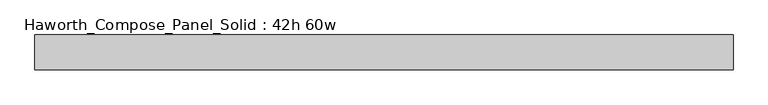
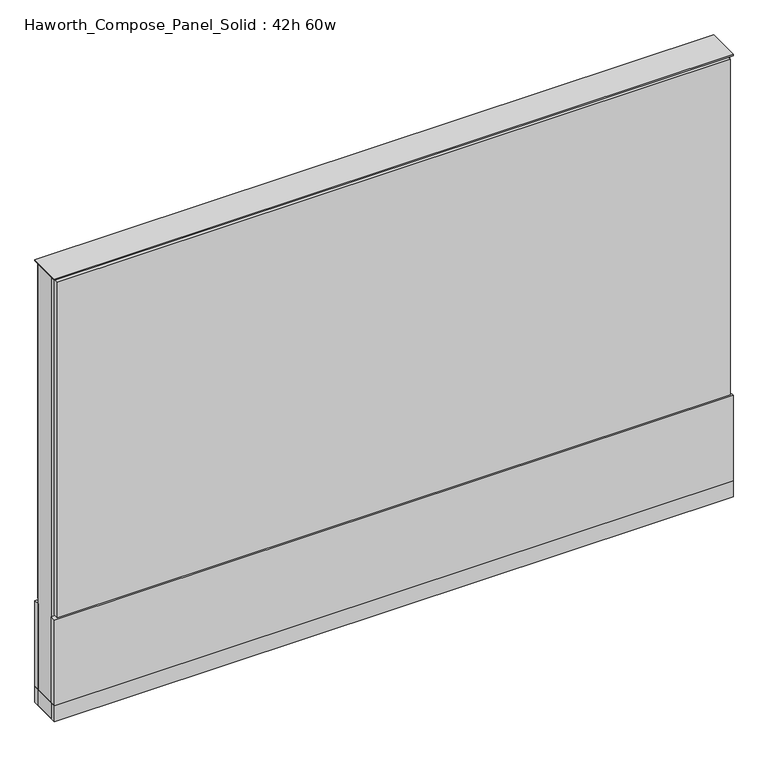
"""IFC4 building model written with IfcOpenShell, lengths in millimetres: furniture geometry, Haworth_Compose_Panel_Solid : 42h 60w."""

from ifc_helpers import new_model, si_unit, point, frame, frame_2d, origin, origin_with_axes, place, context, project, spatial, polyline, circle_curve, trimmed, segment, composite_curve, outline, extrude, source, transform, mapped, element, save


def haworth_compose_panel_solid_42h_60w_4a7328a9(model_context):
    return source(origin(), model_context, "Body", "SweptSolid", [
        extrude(outline(composite_curve([segment(trimmed(circle_curve(frame_2d((-683.3597098, 0.0)), 12.7), [point((-696.0597098, 0.0))], [point((-670.6597098, 0.0))], False, "CARTESIAN"), True, "CONTINUOUS"), segment(trimmed(circle_curve(frame_2d((-683.3597098, 0.0)), 12.7), [point((-670.6597098, 0.0))], [point((-696.0597098, 0.0))], False, "CARTESIAN"), True, "CONTINUOUS")], self_intersect=False)), origin_with_axes(), (0.0, 0.0, 1.0), 12.7),
        extrude(outline(composite_curve([segment(trimmed(circle_curve(frame_2d((688.2402902, 0.0)), 12.7), [point((675.5402902, 0.0))], [point((700.9402902, 0.0))], False, "CARTESIAN"), True, "CONTINUOUS"), segment(trimmed(circle_curve(frame_2d((688.2402902, 0.0)), 12.7), [point((700.9402902, 0.0))], [point((675.5402902, 0.0))], False, "CARTESIAN"), True, "CONTINUOUS")], self_intersect=False)), origin_with_axes(), (0.0, 0.0, 1.0), 12.7),
        extrude(outline(polyline([(758.0902902, 38.1), (758.0902902, 25.4), (-753.2097098, 25.4), (-753.2097098, 38.1), (758.0902902, 38.1)])), frame((0.0, 0.0, 257.175), z_axis=(0.0, 0.0, 1.0), x_axis=(1.0, 0.0, 0.0)), (0.0, 0.0, 1.0), 796.925),
        extrude(outline(polyline([(764.4402902, 38.1), (764.4402902, 25.4), (-759.5597098, 25.4), (-759.5597098, 38.1), (764.4402902, 38.1)])), frame((0.0, 0.0, 50.8), z_axis=(0.0, 0.0, 1.0), x_axis=(1.0, 0.0, 0.0)), (0.0, 0.0, 1.0), 203.2),
        extrude(outline(polyline([(764.4402902, -38.1), (-759.5597098, -38.1), (-759.5597098, -25.4), (764.4402902, -25.4), (764.4402902, -38.1)])), frame((0.0, 0.0, 50.8), z_axis=(0.0, 0.0, 1.0), x_axis=(1.0, 0.0, 0.0)), (0.0, 0.0, 1.0), 203.2),
        extrude(outline(polyline([(758.0902902, -38.1), (-753.2097098, -38.1), (-753.2097098, -25.4), (758.0902902, -25.4), (758.0902902, -38.1)])), frame((0.0, 0.0, 257.175), z_axis=(0.0, 0.0, 1.0), x_axis=(1.0, 0.0, 0.0)), (0.0, 0.0, 1.0), 796.925),
        extrude(outline(polyline([(764.4402902, 25.4), (764.4402902, -25.4), (-759.5597098, -25.4), (-759.5597098, 25.4), (764.4402902, 25.4)])), frame((0.0, 0.0, 12.7), z_axis=(0.0, 0.0, 1.0), x_axis=(1.0, 0.0, 0.0)), (0.0, 0.0, 1.0), 1047.75),
        extrude(outline(polyline([(-759.5597098, -38.1), (-759.5597098, 38.1), (764.4402902, 38.1), (764.4402902, -38.1), (-759.5597098, -38.1)])), frame((0.0, 0.0, 12.7), z_axis=(0.0, 0.0, 1.0), x_axis=(1.0, 0.0, 0.0)), (0.0, 0.0, 1.0), 38.1),
        extrude(outline(polyline([(-759.5597098, -38.1), (-759.5597098, 38.1), (764.4402902, 38.1), (764.4402902, -38.1), (-759.5597098, -38.1)])), frame((0.0, 0.0, 1060.45), z_axis=(0.0, 0.0, 1.0), x_axis=(1.0, 0.0, 0.0)), (0.0, 0.0, 1.0), 3.175),
    ])


if __name__ == "__main__":
    model = new_model("IFC4")
    model_context = context("Model", 3, world=origin())
    ifc_project = project(units=[si_unit("LENGTHUNIT", "METRE", prefix="MILLI")], contexts=[model_context])
    site = spatial("IfcSite", under=ifc_project)
    building = spatial("IfcBuilding", under=site)
    placement = place(None, origin())
    haworth_compose_panel_solid_42h_60w_shape = haworth_compose_panel_solid_42h_60w_4a7328a9(model_context)
    element("IfcFurniture", 1, ObjectType="Haworth_Compose_Panel_Solid : 42h 60w", at=placement, inside=building, context=model_context, shape_type="MappedRepresentation", body=[
        mapped(haworth_compose_panel_solid_42h_60w_shape, transform((0.0, 0.0, 0.0), x_axis=(1.0, 0.0, 0.0), y_axis=(0.0, 1.0, 0.0), z_axis=(0.0, 0.0, 1.0))),
    ])
    save(model, "model.ifc")
